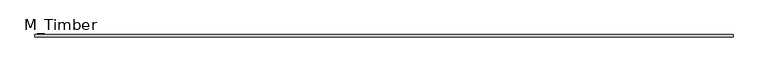
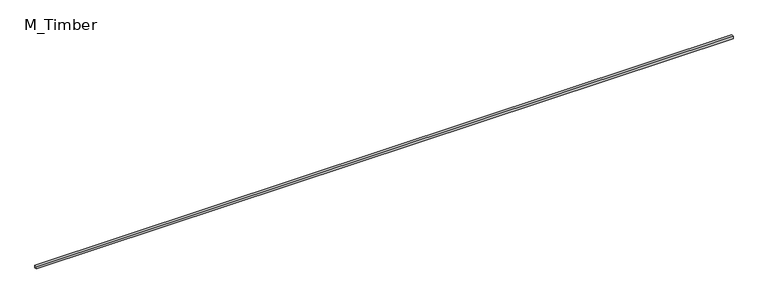
"""IFC4 building model written with IfcOpenShell, lengths in millimetres: beam geometry, M_Timber."""

import ifcopenshell
import ifcopenshell.guid

model = None  # the IFC model being written
_history = None  # IfcOwnerHistory: only IFC2X3 demands one
_inside = {}  # id of a spatial element -> (the spatial element, [elements in it])
_under = {}  # id of a project, library or spatial element -> (it, [spatial elements below it])
_declared = {}  # id of a project -> (the project, [libraries it declares])
_typed = {}  # id of a type object -> (the type object, [elements of that type])
_made_of = {}  # id of a material, layer set ... -> (it, [elements and type objects made of it])


def new_model(schema):
    """Start an empty IFC model of exactly this schema.

    Asked for "IFC4X3", IfcOpenShell would pick the latest addendum, in which some entities
    have other attributes; the version numbers below select the first issue.
    IFC2X3 requires an IfcOwnerHistory on every rooted entity: one is made here for all.
    """
    global model, _history
    if schema == "IFC4X3":
        model = ifcopenshell.file(schema_version=(4, 3, 0, 0))
    else:
        model = ifcopenshell.file(schema=schema)
    _inside.clear()
    _under.clear()
    _declared.clear()
    _typed.clear()
    _made_of.clear()
    _history = None
    if model.schema == "IFC2X3":
        org = make("IfcOrganization", Name="unknown")
        user = make(
            "IfcPersonAndOrganization",
            ThePerson=make("IfcPerson", FamilyName="unknown"),
            TheOrganization=org,
        )
        app = make(
            "IfcApplication",
            ApplicationDeveloper=org,
            Version="unknown",
            ApplicationFullName="unknown",
            ApplicationIdentifier="unknown",
        )
        _history = make(
            "IfcOwnerHistory",
            OwningUser=user,
            OwningApplication=app,
            ChangeAction="ADDED",
            CreationDate=0,
        )
    return model


def make(cls, **values):
    """One entity of the class cls with the attributes given. An attribute that is None is left unset."""
    return model.create_entity(
        cls, **{name: value for name, value in values.items() if value is not None}
    )


def rooted(cls, **values):
    """An entity with a GlobalId (a new one), such as an element, a storey or a relation."""
    return make(cls, GlobalId=ifcopenshell.guid.new(), OwnerHistory=_history, **values)


def si_unit(unit_type, name, prefix=None):
    """IfcSIUnit, for example si_unit("LENGTHUNIT", "METRE", prefix="MILLI")."""
    return make("IfcSIUnit", UnitType=unit_type, Prefix=prefix, Name=name)


def assignment(units):
    """IfcUnitAssignment: the units of a project."""
    return None if units is None else make("IfcUnitAssignment", Units=units)


def point(xyz):
    """IfcCartesianPoint."""
    return None if xyz is None else make("IfcCartesianPoint", Coordinates=xyz)


def direction(xyz):
    """IfcDirection."""
    return None if xyz is None else make("IfcDirection", DirectionRatios=xyz)


def frame(location, z_axis=None, x_axis=None):
    """IfcAxis2Placement3D, a coordinate frame: its origin and axes. An axis left out is left unset."""
    return make(
        "IfcAxis2Placement3D",
        Location=point(location),
        Axis=direction(z_axis),
        RefDirection=direction(x_axis),
    )


def origin():
    """The frame at (0, 0, 0) with its axes left unset."""
    return frame((0.0, 0.0, 0.0))


def place(relative_to, where):
    """IfcLocalPlacement: puts the frame where relative to a parent placement (None: the world)."""
    return make(
        "IfcLocalPlacement", PlacementRelTo=relative_to, RelativePlacement=where
    )


def context(
    kind, dimensions, precision=None, world=None, true_north=None, identifier=None
):
    """IfcGeometricRepresentationContext, for example the 3D "Model" context."""
    return make(
        "IfcGeometricRepresentationContext",
        ContextIdentifier=identifier,
        ContextType=kind,
        CoordinateSpaceDimension=dimensions,
        Precision=precision,
        WorldCoordinateSystem=world,
        TrueNorth=true_north,
    )


def project(units=None, contexts=None):
    """IfcProject with its units and contexts."""
    return rooted(
        "IfcProject",
        Name="project",
        RepresentationContexts=contexts,
        UnitsInContext=assignment(units),
    )


def spatial(cls, under=None, at=None, **own):
    """A site, building, storey or space (cls), placed at a placement, below another one or the project."""
    s = rooted(cls, ObjectPlacement=at, **own)
    if under is not None:
        _under.setdefault(under.id(), (under, []))[1].append(s)
    return s


def polyline(points):
    """IfcPolyline through the points."""
    return make("IfcPolyline", Points=[point(p) for p in points])


def outline(outer, holes=None, kind="AREA"):
    """IfcArbitraryClosedProfileDef: a profile drawn as a closed curve; with holes, ...WithVoids."""
    if holes is None:
        return make("IfcArbitraryClosedProfileDef", ProfileType=kind, OuterCurve=outer)
    return make(
        "IfcArbitraryProfileDefWithVoids",
        ProfileType=kind,
        OuterCurve=outer,
        InnerCurves=holes,
    )


def extrude(swept, where, along, depth):
    """IfcExtrudedAreaSolid: the profile swept, set in the frame where, extruded along a direction by depth."""
    return make(
        "IfcExtrudedAreaSolid",
        SweptArea=swept,
        Position=where,
        ExtrudedDirection=direction(along),
        Depth=depth,
    )


def shape(context_of_items, identifier, shape_type, items):
    """IfcShapeRepresentation: the items that make up one representation, for example the "Body"."""
    return make(
        "IfcShapeRepresentation",
        ContextOfItems=context_of_items,
        RepresentationIdentifier=identifier,
        RepresentationType=shape_type,
        Items=items,
    )


def source(mapping_origin, context_of_items, identifier, shape_type, items):
    """IfcRepresentationMap: a shape defined once, which mapped items show again and again."""
    return make(
        "IfcRepresentationMap",
        MappingOrigin=mapping_origin,
        MappedRepresentation=shape(context_of_items, identifier, shape_type, items),
    )


def transform(
    local_origin,
    x_axis=None,
    y_axis=None,
    z_axis=None,
    scale=None,
    scale2=None,
    scale3=None,
    uniform=True,
):
    """IfcCartesianTransformationOperator3D, or its non-uniform kind. x_axis, y_axis, z_axis: its Axis1, 2, 3."""
    if uniform:
        return make(
            "IfcCartesianTransformationOperator3D",
            Axis1=direction(x_axis),
            Axis2=direction(y_axis),
            LocalOrigin=point(local_origin),
            Scale=scale,
            Axis3=direction(z_axis),
        )
    return make(
        "IfcCartesianTransformationOperator3DnonUniform",
        Axis1=direction(x_axis),
        Axis2=direction(y_axis),
        LocalOrigin=point(local_origin),
        Scale=scale,
        Axis3=direction(z_axis),
        Scale2=scale2,
        Scale3=scale3,
    )


def mapped(mapping_source, mapping_target):
    """IfcMappedItem: shows the shape of a source again, moved by a transform."""
    return make(
        "IfcMappedItem", MappingSource=mapping_source, MappingTarget=mapping_target
    )


def made_of(thing, what):
    """Note that an element or type object is made of a material, layer set ...; save() writes the relation."""
    if what is not None:
        _made_of.setdefault(what.id(), (what, []))[1].append(thing)
    return thing


def element(
    cls,
    number,
    at=None,
    inside=None,
    cuts=None,
    type_object=None,
    material=None,
    context=None,
    identifier="Body",
    shape_type=None,
    held_by="IfcProductDefinitionShape",
    body=None,
    shapes=None,
    **own,
):
    """One element of the class cls, such as IfcWall. Its Tag is "e" and its number.

    at: its placement. inside: the storey or other place that contains it. cuts: it is an
    opening in that element (IfcRelVoidsElement). A single representation is given by context,
    identifier, shape_type and body (its items); several are given by shapes. held_by: the class
    of the entity that holds the representations. save() writes the other relations.
    """
    e = rooted(cls, Tag="e%d" % number, ObjectPlacement=at, **own)
    if body is not None:
        shapes = [shape(context, identifier, shape_type, body)]
    if shapes is not None:
        e.Representation = make(held_by, Representations=shapes)
    if inside is not None:
        _inside.setdefault(inside.id(), (inside, []))[1].append(e)
    if cuts is not None:
        rooted(
            "IfcRelVoidsElement", RelatingBuildingElement=cuts, RelatedOpeningElement=e
        )
    if type_object is not None:
        _typed.setdefault(type_object.id(), (type_object, []))[1].append(e)
    return made_of(e, material)


def aggregate(whole, parts):
    """IfcRelAggregates: a whole, such as a stair, and the parts it consists of."""
    return rooted("IfcRelAggregates", RelatingObject=whole, RelatedObjects=parts)


def save(model, path):
    """Write the relations noted so far, then the file.

    IfcRelAggregates (storeys below a building ...), IfcRelContainedInSpatialStructure (elements
    in a storey), IfcRelDefinesByType, IfcRelAssociatesMaterial and IfcRelDeclares: one each for
    every whole, place, type object, material and project.
    """
    for whole, parts in _under.values():
        aggregate(whole, parts)
    for where, things in _inside.values():
        rooted(
            "IfcRelContainedInSpatialStructure",
            RelatedElements=things,
            RelatingStructure=where,
        )
    for kind, things in _typed.values():
        rooted("IfcRelDefinesByType", RelatedObjects=things, RelatingType=kind)
    for what, things in _made_of.values():
        rooted("IfcRelAssociatesMaterial", RelatedObjects=things, RelatingMaterial=what)
    for by, libraries in _declared.values():
        rooted("IfcRelDeclares", RelatingContext=by, RelatedDefinitions=libraries)
    model.write(path)


def m_timber_41e37700(model_context):
    return source(origin(), model_context, "Body", "SweptSolid", [
        extrude(outline(polyline([(5507.2978316, 20.0), (5507.2978316, -20.0), (-5507.2978316, -20.0), (-5507.2978316, 20.0), (5507.2978316, 20.0)])), frame((0.0, 0.0, -20.0), z_axis=(0.0, 0.0, 1.0), x_axis=(1.0, 0.0, 0.0)), (0.0, 0.0, 1.0), 40.0),
    ])


if __name__ == "__main__":
    model = new_model("IFC4")
    model_context = context("Model", 3, world=origin())
    ifc_project = project(units=[si_unit("LENGTHUNIT", "METRE", prefix="MILLI")], contexts=[model_context])
    site = spatial("IfcSite", under=ifc_project)
    building = spatial("IfcBuilding", under=site)
    placement = place(None, origin())
    m_timber_shape = m_timber_41e37700(model_context)
    element("IfcBeam", 1, ObjectType="M_Timber", at=placement, inside=building, context=model_context, shape_type="MappedRepresentation", body=[
        mapped(m_timber_shape, transform((0.0, 0.0, 0.0), x_axis=(1.0, 0.0, 0.0), y_axis=(0.0, 1.0, 0.0), z_axis=(0.0, 0.0, 1.0))),
    ])
    save(model, "model.ifc")
